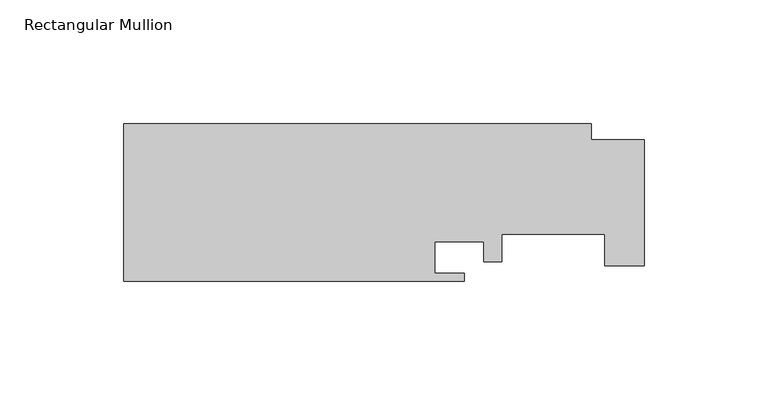
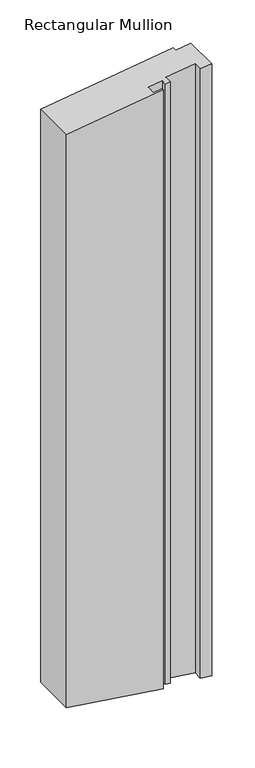
"""IFC4 building model written with IfcOpenShell, lengths in millimetres: member geometry, Rectangular Mullion."""

import ifcopenshell
import ifcopenshell.guid

model = None  # the IFC model being written
_history = None  # IfcOwnerHistory: only IFC2X3 demands one
_inside = {}  # id of a spatial element -> (the spatial element, [elements in it])
_under = {}  # id of a project, library or spatial element -> (it, [spatial elements below it])
_declared = {}  # id of a project -> (the project, [libraries it declares])
_typed = {}  # id of a type object -> (the type object, [elements of that type])
_made_of = {}  # id of a material, layer set ... -> (it, [elements and type objects made of it])


def new_model(schema):
    """Start an empty IFC model of exactly this schema.

    Asked for "IFC4X3", IfcOpenShell would pick the latest addendum, in which some entities
    have other attributes; the version numbers below select the first issue.
    IFC2X3 requires an IfcOwnerHistory on every rooted entity: one is made here for all.
    """
    global model, _history
    if schema == "IFC4X3":
        model = ifcopenshell.file(schema_version=(4, 3, 0, 0))
    else:
        model = ifcopenshell.file(schema=schema)
    _inside.clear()
    _under.clear()
    _declared.clear()
    _typed.clear()
    _made_of.clear()
    _history = None
    if model.schema == "IFC2X3":
        org = make("IfcOrganization", Name="unknown")
        user = make(
            "IfcPersonAndOrganization",
            ThePerson=make("IfcPerson", FamilyName="unknown"),
            TheOrganization=org,
        )
        app = make(
            "IfcApplication",
            ApplicationDeveloper=org,
            Version="unknown",
            ApplicationFullName="unknown",
            ApplicationIdentifier="unknown",
        )
        _history = make(
            "IfcOwnerHistory",
            OwningUser=user,
            OwningApplication=app,
            ChangeAction="ADDED",
            CreationDate=0,
        )
    return model


def make(cls, **values):
    """One entity of the class cls with the attributes given. An attribute that is None is left unset."""
    return model.create_entity(
        cls, **{name: value for name, value in values.items() if value is not None}
    )


def rooted(cls, **values):
    """An entity with a GlobalId (a new one), such as an element, a storey or a relation."""
    return make(cls, GlobalId=ifcopenshell.guid.new(), OwnerHistory=_history, **values)


def si_unit(unit_type, name, prefix=None):
    """IfcSIUnit, for example si_unit("LENGTHUNIT", "METRE", prefix="MILLI")."""
    return make("IfcSIUnit", UnitType=unit_type, Prefix=prefix, Name=name)


def assignment(units):
    """IfcUnitAssignment: the units of a project."""
    return None if units is None else make("IfcUnitAssignment", Units=units)


def point(xyz):
    """IfcCartesianPoint."""
    return None if xyz is None else make("IfcCartesianPoint", Coordinates=xyz)


def direction(xyz):
    """IfcDirection."""
    return None if xyz is None else make("IfcDirection", DirectionRatios=xyz)


def frame(location, z_axis=None, x_axis=None):
    """IfcAxis2Placement3D, a coordinate frame: its origin and axes. An axis left out is left unset."""
    return make(
        "IfcAxis2Placement3D",
        Location=point(location),
        Axis=direction(z_axis),
        RefDirection=direction(x_axis),
    )


def origin():
    """The frame at (0, 0, 0) with its axes left unset."""
    return frame((0.0, 0.0, 0.0))


def place(relative_to, where):
    """IfcLocalPlacement: puts the frame where relative to a parent placement (None: the world)."""
    return make(
        "IfcLocalPlacement", PlacementRelTo=relative_to, RelativePlacement=where
    )


def context(
    kind, dimensions, precision=None, world=None, true_north=None, identifier=None
):
    """IfcGeometricRepresentationContext, for example the 3D "Model" context."""
    return make(
        "IfcGeometricRepresentationContext",
        ContextIdentifier=identifier,
        ContextType=kind,
        CoordinateSpaceDimension=dimensions,
        Precision=precision,
        WorldCoordinateSystem=world,
        TrueNorth=true_north,
    )


def project(units=None, contexts=None):
    """IfcProject with its units and contexts."""
    return rooted(
        "IfcProject",
        Name="project",
        RepresentationContexts=contexts,
        UnitsInContext=assignment(units),
    )


def spatial(cls, under=None, at=None, **own):
    """A site, building, storey or space (cls), placed at a placement, below another one or the project."""
    s = rooted(cls, ObjectPlacement=at, **own)
    if under is not None:
        _under.setdefault(under.id(), (under, []))[1].append(s)
    return s


def faces_of(points, faces, orient=None, outer=None):
    """IfcFace entities. A face is a list of loops; a loop is a list of indices into points, from 0.

    orient and outer hold one flag for each loop. By default every Orientation is true, the
    first loop of a face is its IfcFaceOuterBound and the others are IfcFaceBound.
    """
    made = []
    for i, loops in enumerate(faces):
        bounds = []
        for j, loop in enumerate(loops):
            is_outer = j == 0 if outer is None else outer[i][j]
            bounds.append(
                make(
                    "IfcFaceOuterBound" if is_outer else "IfcFaceBound",
                    Bound=make("IfcPolyLoop", Polygon=[points[k] for k in loop]),
                    Orientation=True if orient is None else orient[i][j],
                )
            )
        made.append(make("IfcFace", Bounds=bounds))
    return made


def faceted_brep(points, faces, orient=None, outer=None, voids=None):
    """IfcFacetedBrep: a solid bounded by flat faces; with voids (closed shells), ...WithVoids."""
    shared = [point(p) for p in points]
    hull = make("IfcClosedShell", CfsFaces=faces_of(shared, faces, orient, outer))
    if voids is None:
        return make("IfcFacetedBrep", Outer=hull)
    return make(
        "IfcFacetedBrepWithVoids",
        Outer=hull,
        Voids=[
            make(cls, CfsFaces=faces_of(shared, fs, o, b)) for cls, fs, o, b in voids
        ],
    )


def shape(context_of_items, identifier, shape_type, items):
    """IfcShapeRepresentation: the items that make up one representation, for example the "Body"."""
    return make(
        "IfcShapeRepresentation",
        ContextOfItems=context_of_items,
        RepresentationIdentifier=identifier,
        RepresentationType=shape_type,
        Items=items,
    )


def source(mapping_origin, context_of_items, identifier, shape_type, items):
    """IfcRepresentationMap: a shape defined once, which mapped items show again and again."""
    return make(
        "IfcRepresentationMap",
        MappingOrigin=mapping_origin,
        MappedRepresentation=shape(context_of_items, identifier, shape_type, items),
    )


def transform(
    local_origin,
    x_axis=None,
    y_axis=None,
    z_axis=None,
    scale=None,
    scale2=None,
    scale3=None,
    uniform=True,
):
    """IfcCartesianTransformationOperator3D, or its non-uniform kind. x_axis, y_axis, z_axis: its Axis1, 2, 3."""
    if uniform:
        return make(
            "IfcCartesianTransformationOperator3D",
            Axis1=direction(x_axis),
            Axis2=direction(y_axis),
            LocalOrigin=point(local_origin),
            Scale=scale,
            Axis3=direction(z_axis),
        )
    return make(
        "IfcCartesianTransformationOperator3DnonUniform",
        Axis1=direction(x_axis),
        Axis2=direction(y_axis),
        LocalOrigin=point(local_origin),
        Scale=scale,
        Axis3=direction(z_axis),
        Scale2=scale2,
        Scale3=scale3,
    )


def mapped(mapping_source, mapping_target):
    """IfcMappedItem: shows the shape of a source again, moved by a transform."""
    return make(
        "IfcMappedItem", MappingSource=mapping_source, MappingTarget=mapping_target
    )


def made_of(thing, what):
    """Note that an element or type object is made of a material, layer set ...; save() writes the relation."""
    if what is not None:
        _made_of.setdefault(what.id(), (what, []))[1].append(thing)
    return thing


def element(
    cls,
    number,
    at=None,
    inside=None,
    cuts=None,
    type_object=None,
    material=None,
    context=None,
    identifier="Body",
    shape_type=None,
    held_by="IfcProductDefinitionShape",
    body=None,
    shapes=None,
    **own,
):
    """One element of the class cls, such as IfcWall. Its Tag is "e" and its number.

    at: its placement. inside: the storey or other place that contains it. cuts: it is an
    opening in that element (IfcRelVoidsElement). A single representation is given by context,
    identifier, shape_type and body (its items); several are given by shapes. held_by: the class
    of the entity that holds the representations. save() writes the other relations.
    """
    e = rooted(cls, Tag="e%d" % number, ObjectPlacement=at, **own)
    if body is not None:
        shapes = [shape(context, identifier, shape_type, body)]
    if shapes is not None:
        e.Representation = make(held_by, Representations=shapes)
    if inside is not None:
        _inside.setdefault(inside.id(), (inside, []))[1].append(e)
    if cuts is not None:
        rooted(
            "IfcRelVoidsElement", RelatingBuildingElement=cuts, RelatedOpeningElement=e
        )
    if type_object is not None:
        _typed.setdefault(type_object.id(), (type_object, []))[1].append(e)
    return made_of(e, material)


def aggregate(whole, parts):
    """IfcRelAggregates: a whole, such as a stair, and the parts it consists of."""
    return rooted("IfcRelAggregates", RelatingObject=whole, RelatedObjects=parts)


def save(model, path):
    """Write the relations noted so far, then the file.

    IfcRelAggregates (storeys below a building ...), IfcRelContainedInSpatialStructure (elements
    in a storey), IfcRelDefinesByType, IfcRelAssociatesMaterial and IfcRelDeclares: one each for
    every whole, place, type object, material and project.
    """
    for whole, parts in _under.values():
        aggregate(whole, parts)
    for where, things in _inside.values():
        rooted(
            "IfcRelContainedInSpatialStructure",
            RelatedElements=things,
            RelatingStructure=where,
        )
    for kind, things in _typed.values():
        rooted("IfcRelDefinesByType", RelatedObjects=things, RelatingType=kind)
    for what, things in _made_of.values():
        rooted("IfcRelAssociatesMaterial", RelatedObjects=things, RelatingMaterial=what)
    for by, libraries in _declared.values():
        rooted("IfcRelDeclares", RelatingContext=by, RelatedDefinitions=libraries)
    model.write(path)


def rectangular_mullion_53542096(model_context):
    return source(origin(), model_context, "Body", "Brep", [
        faceted_brep([(-191.643, -19.05, -26.9336672), (-191.643, 44.45, -26.9336672), (-191.643, 44.45, -887.4663328), (-191.643, -19.05, -887.4663328), (-54.3052, -19.05, -7.6320981), (-54.3052, -19.05, -906.7679019), (-54.3052, -15.875, -7.6320981), (-54.3052, -15.875, -906.7679019), (-66.2178, -15.875, -9.3063049), (-66.2178, -15.875, -905.0936951), (-66.2178, -3.175, -9.3063049), (-66.2178, -3.175, -905.0936951), (-46.4058, -3.175, -6.5219099), (-46.4058, -3.175, -907.8780901), (-46.4058, -11.1252, -6.5219099), (-46.4058, -11.1252, -907.8780901), (-39.243, -11.1252, -5.515244), (-39.243, -11.1252, -908.884756), (-39.243, 0.0, -5.515244), (-39.243, 0.0, -908.884756), (2.413, 0.0, 0.339125), (2.413, 0.0, -914.739125), (2.413, -12.7, 0.339125), (2.413, -12.7, -914.739125), (18.288, -12.7, 2.5702108), (18.288, -12.7, -916.9702108), (18.288, 38.1, 2.5702108), (18.288, 38.1, -916.9702108), (-2.9972, 38.1, -0.421229), (-2.9972, 38.1, -913.978771), (-2.9972, 44.45, -0.421229), (-2.9972, 44.45, -913.978771)], [[[0, 1, 2, 3]], [[4, 0, 3, 5]], [[6, 4, 5, 7]], [[8, 6, 7, 9]], [[10, 8, 9, 11]], [[12, 10, 11, 13]], [[14, 12, 13, 15]], [[16, 14, 15, 17]], [[18, 16, 17, 19]], [[20, 18, 19, 21]], [[22, 20, 21, 23]], [[24, 22, 23, 25]], [[26, 24, 25, 27]], [[28, 26, 27, 29]], [[30, 28, 29, 31]], [[1, 30, 31, 2]], [[0, 4, 6, 8, 10, 12, 14, 16, 18, 20, 22, 24, 26, 28, 30, 1]], [[3, 2, 31, 29, 27, 25, 23, 21, 19, 17, 15, 13, 11, 9, 7, 5]]]),
    ])


if __name__ == "__main__":
    model = new_model("IFC4")
    model_context = context("Model", 3, world=origin())
    ifc_project = project(units=[si_unit("LENGTHUNIT", "METRE", prefix="MILLI")], contexts=[model_context])
    site = spatial("IfcSite", under=ifc_project)
    building = spatial("IfcBuilding", under=site)
    placement = place(None, origin())
    rectangular_mullion_shape = rectangular_mullion_53542096(model_context)
    element("IfcMember", 1, ObjectType="Rectangular Mullion", at=placement, inside=building, context=model_context, shape_type="MappedRepresentation", body=[
        mapped(rectangular_mullion_shape, transform((0.0, 0.0, 0.0), x_axis=(1.0, 0.0, 0.0), y_axis=(0.0, 1.0, 0.0), z_axis=(0.0, 0.0, 1.0))),
    ])
    save(model, "model.ifc")
